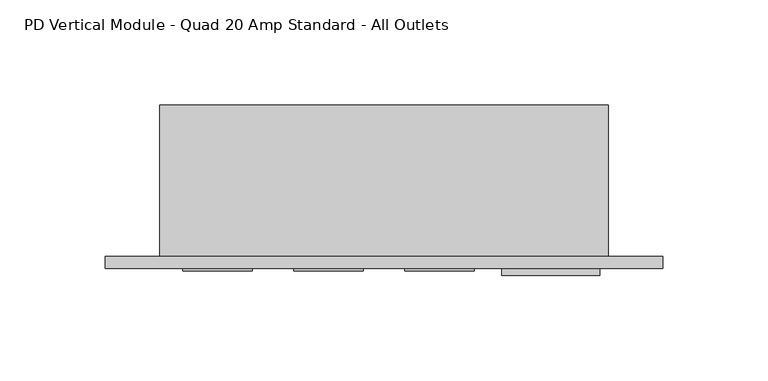
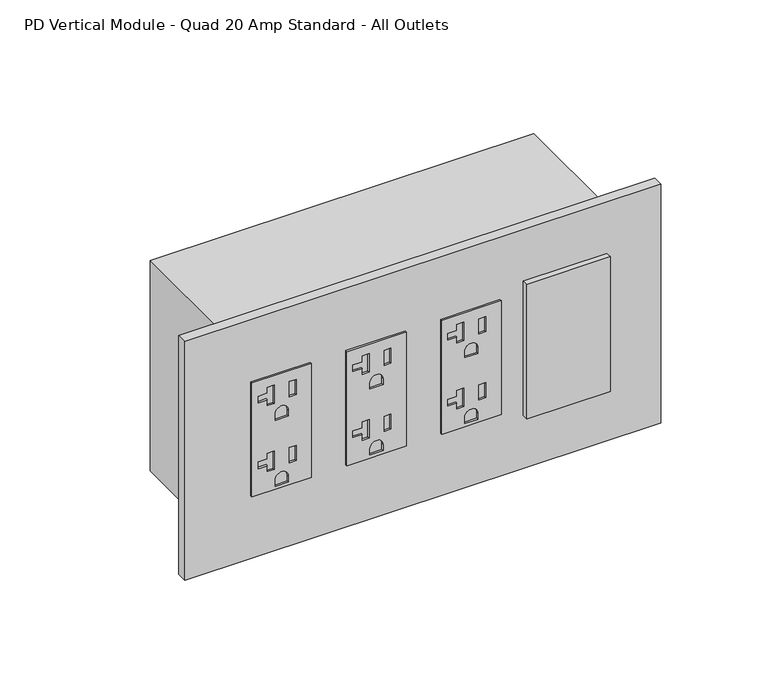
"""IFC4 building model written with IfcOpenShell, lengths in millimetres: proxy geometry, PD Vertical Module - Quad 20 Amp Standard - All Outlets."""

from ifc_helpers import new_model, si_unit, point, frame, frame_2d, origin, place, context, project, spatial, polyline, circle_curve, trimmed, segment, composite_curve, outline, extrude, source, transform, mapped, element, save


def pd_vertical_module_quad_20_amp_standard_all_outlets_6899d5ff(model_context):
    return source(origin(), model_context, "Body", "SweptSolid", [
        extrude(outline(polyline([(414.4772, 149.4282), (414.4772, 116.4336), (347.5228, 116.4336), (347.5228, 149.4282), (414.4772, 149.4282)]), holes=[polyline([(409.0924, 128.778), (398.272, 128.778), (398.272, 124.9426), (401.7518, 124.9426), (401.7518, 119.8372), (405.6126, 119.8372), (405.6126, 124.9426), (409.0924, 124.9426), (409.0924, 128.778)]), polyline([(408.1145, 140.9446), (399.2499, 140.9446), (399.2499, 137.1092), (408.1145, 137.1092), (408.1145, 140.9446)]), composite_curve([segment(polyline([(388.0866, 136.5631), (388.0866, 129.2987), (391.7188, 129.2987)]), True, "CONTINUOUS"), segment(trimmed(circle_curve(frame_2d((391.7188, 132.9309)), 3.6322), [point((391.7188, 129.2987))], [point((391.7188, 136.5631))], True, "CARTESIAN"), True, "CONTINUOUS"), segment(polyline([(391.7188, 136.5631), (388.0866, 136.5631)]), True, "CONTINUOUS")], self_intersect=False), polyline([(370.3574, 128.778), (359.537, 128.778), (359.537, 124.9426), (363.0168, 124.9426), (363.0168, 119.8372), (366.8776, 119.8372), (366.8776, 124.9426), (370.3574, 124.9426), (370.3574, 128.778)]), polyline([(369.3795, 140.9446), (360.5149, 140.9446), (360.5149, 137.1092), (369.3795, 137.1092), (369.3795, 140.9446)]), composite_curve([segment(polyline([(349.3516, 136.5631), (349.3516, 129.2987), (352.9838, 129.2987)]), True, "CONTINUOUS"), segment(trimmed(circle_curve(frame_2d((352.9838, 132.9309)), 3.6322), [point((352.9838, 129.2987))], [point((352.9838, 136.5631))], True, "CARTESIAN"), True, "CONTINUOUS"), segment(polyline([(352.9838, 136.5631), (349.3516, 136.5631)]), True, "CONTINUOUS")], self_intersect=False)]), frame((0.0, -6.9294746, 0.0), z_axis=(0.0, 1.0, 0.0), x_axis=(0.0, 0.0, 1.0)), (0.0, 0.0, 1.0), 1.0366746),
        extrude(outline(polyline([(414.4772, 96.7613), (414.4772, 63.7667), (347.5228, 63.7667), (347.5228, 96.7613), (414.4772, 96.7613)]), holes=[polyline([(409.0924, 76.1111), (398.272, 76.1111), (398.272, 72.2757), (401.7518, 72.2757), (401.7518, 67.1703), (405.6126, 67.1703), (405.6126, 72.2757), (409.0924, 72.2757), (409.0924, 76.1111)]), polyline([(408.1145, 88.2777), (399.2499, 88.2777), (399.2499, 84.4423), (408.1145, 84.4423), (408.1145, 88.2777)]), composite_curve([segment(polyline([(388.0866, 83.8962), (388.0866, 76.6318), (391.7188, 76.6318)]), True, "CONTINUOUS"), segment(trimmed(circle_curve(frame_2d((391.7188, 80.264)), 3.6322), [point((391.7188, 76.6318))], [point((391.7188, 83.8962))], True, "CARTESIAN"), True, "CONTINUOUS"), segment(polyline([(391.7188, 83.8962), (388.0866, 83.8962)]), True, "CONTINUOUS")], self_intersect=False), polyline([(370.3574, 76.1111), (359.537, 76.1111), (359.537, 72.2757), (363.0168, 72.2757), (363.0168, 67.1703), (366.8776, 67.1703), (366.8776, 72.2757), (370.3574, 72.2757), (370.3574, 76.1111)]), polyline([(369.3795, 88.2777), (360.5149, 88.2777), (360.5149, 84.4423), (369.3795, 84.4423), (369.3795, 88.2777)]), composite_curve([segment(polyline([(349.3516, 83.8962), (349.3516, 76.6318), (352.9838, 76.6318)]), True, "CONTINUOUS"), segment(trimmed(circle_curve(frame_2d((352.9838, 80.264)), 3.6322), [point((352.9838, 76.6318))], [point((352.9838, 83.8962))], True, "CARTESIAN"), True, "CONTINUOUS"), segment(polyline([(352.9838, 83.8962), (349.3516, 83.8962)]), True, "CONTINUOUS")], self_intersect=False)]), frame((0.0, -6.9294746, 0.0), z_axis=(0.0, 1.0, 0.0), x_axis=(0.0, 0.0, 1.0)), (0.0, 0.0, 1.0), 1.0366746),
        extrude(outline(polyline([(414.4772, 44.0944), (414.4772, 11.0998), (347.5228, 11.0998), (347.5228, 44.0944), (414.4772, 44.0944)]), holes=[polyline([(409.0924, 23.4442), (398.272, 23.4442), (398.272, 19.6088), (401.7518, 19.6088), (401.7518, 14.5034), (405.6126, 14.5034), (405.6126, 19.6088), (409.0924, 19.6088), (409.0924, 23.4442)]), polyline([(408.1145, 35.6108), (399.2499, 35.6108), (399.2499, 31.7754), (408.1145, 31.7754), (408.1145, 35.6108)]), composite_curve([segment(polyline([(388.0866, 31.2293), (388.0866, 23.9649), (391.7188, 23.9649)]), True, "CONTINUOUS"), segment(trimmed(circle_curve(frame_2d((391.7188, 27.5971)), 3.6322), [point((391.7188, 23.9649))], [point((391.7188, 31.2293))], True, "CARTESIAN"), True, "CONTINUOUS"), segment(polyline([(391.7188, 31.2293), (388.0866, 31.2293)]), True, "CONTINUOUS")], self_intersect=False), polyline([(370.3574, 23.4442), (359.537, 23.4442), (359.537, 19.6088), (363.0168, 19.6088), (363.0168, 14.5034), (366.8776, 14.5034), (366.8776, 19.6088), (370.3574, 19.6088), (370.3574, 23.4442)]), polyline([(369.3795, 35.6108), (360.5149, 35.6108), (360.5149, 31.7754), (369.3795, 31.7754), (369.3795, 35.6108)]), composite_curve([segment(polyline([(349.3516, 31.2293), (349.3516, 23.9649), (352.9838, 23.9649)]), True, "CONTINUOUS"), segment(trimmed(circle_curve(frame_2d((352.9838, 27.5971)), 3.6322), [point((352.9838, 23.9649))], [point((352.9838, 31.2293))], True, "CARTESIAN"), True, "CONTINUOUS"), segment(polyline([(352.9838, 31.2293), (349.3516, 31.2293)]), True, "CONTINUOUS")], self_intersect=False)]), frame((0.0, -6.9294746, 0.0), z_axis=(0.0, 1.0, 0.0), x_axis=(0.0, 0.0, 1.0)), (0.0, 0.0, 1.0), 1.0366746),
        extrude(outline(polyline([(162.3314, -5.8928), (208.8642, -5.8928), (208.8642, -9.0678), (162.3314, -9.0678), (162.3314, -5.8928)])), frame((0.0, 0.0, 341.7922742), z_axis=(0.0, 0.0, 1.0), x_axis=(1.0, 0.0, 0.0)), (0.0, 0.0, 1.0), 79.0448),
        extrude(outline(polyline([(-25.6794, 0.0), (238.7092, 0.0), (238.7092, -5.8928), (-25.6794, -5.8928), (-25.6794, 0.0)])), frame((0.0, 0.0, 310.8198), z_axis=(0.0, 0.0, 1.0), x_axis=(1.0, 0.0, 0.0)), (0.0, 0.0, 1.0), 140.3604),
        extrude(outline(polyline([(213.0298, 0.0), (0.0, 0.0), (0.0, 71.7296), (213.0298, 71.7296), (213.0298, 0.0)])), frame((0.0, 0.0, 319.2526), z_axis=(0.0, 0.0, 1.0), x_axis=(1.0, 0.0, 0.0)), (0.0, 0.0, 1.0), 123.4948),
    ])


if __name__ == "__main__":
    model = new_model("IFC4")
    model_context = context("Model", 3, world=origin())
    ifc_project = project(units=[si_unit("LENGTHUNIT", "METRE", prefix="MILLI")], contexts=[model_context])
    site = spatial("IfcSite", under=ifc_project)
    building = spatial("IfcBuilding", under=site)
    placement = place(None, origin())
    pd_vertical_module_quad_20_amp_standard_all_outlets_shape = pd_vertical_module_quad_20_amp_standard_all_outlets_6899d5ff(model_context)
    element("IfcBuildingElementProxy", 1, Name="PD Vertical Module - Quad 20 Amp Standard - All Outlets", ObjectType="PD Vertical Module - Quad 20 Amp Standard - All Outlets", at=placement, inside=building, context=model_context, shape_type="MappedRepresentation", body=[
        mapped(pd_vertical_module_quad_20_amp_standard_all_outlets_shape, transform((0.0, 0.0, 0.0), x_axis=(1.0, 0.0, 0.0), y_axis=(0.0, 1.0, 0.0), z_axis=(0.0, 0.0, 1.0))),
    ])
    save(model, "model.ifc")
